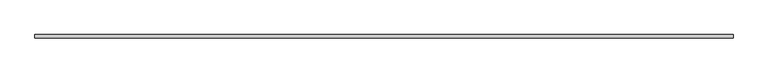
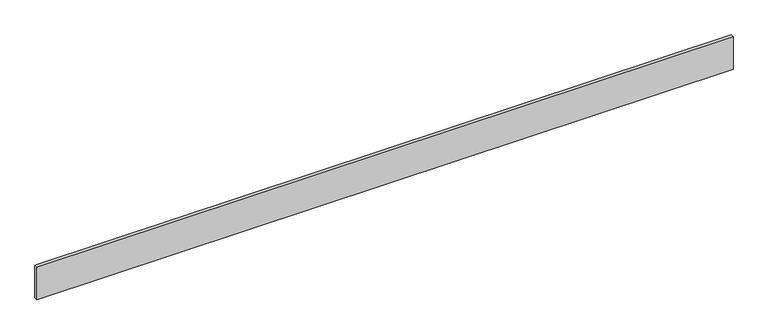
"""IFC4 building model written with IfcOpenShell, lengths in millimetres: furniture geometry."""

from ifc_helpers import new_model, si_unit, origin, origin_with_axes, place, context, project, spatial, polyline, outline, extrude, source, transform, mapped, element, save


def furniture_7a702d83(model_context):
    return source(origin(), model_context, "Body", "SweptSolid", [
        extrude(outline(polyline([(0.0, 0.0), (0.0, 10.0), (2034.0250044, 10.0), (2034.0250044, 0.0), (0.0, 0.0)])), origin_with_axes(), (0.0, 0.0, 1.0), 100.0),
    ])


if __name__ == "__main__":
    model = new_model("IFC4")
    model_context = context("Model", 3, world=origin())
    ifc_project = project(units=[si_unit("LENGTHUNIT", "METRE", prefix="MILLI")], contexts=[model_context])
    site = spatial("IfcSite", under=ifc_project)
    building = spatial("IfcBuilding", under=site)
    placement = place(None, origin())
    furniture_shape = furniture_7a702d83(model_context)
    element("IfcFurniture", 1, at=placement, inside=building, context=model_context, shape_type="MappedRepresentation", body=[
        mapped(furniture_shape, transform((0.0, 0.0, 0.0), x_axis=(1.0, 0.0, 0.0), y_axis=(0.0, 1.0, 0.0), z_axis=(0.0, 0.0, 1.0))),
    ])
    save(model, "model.ifc")
